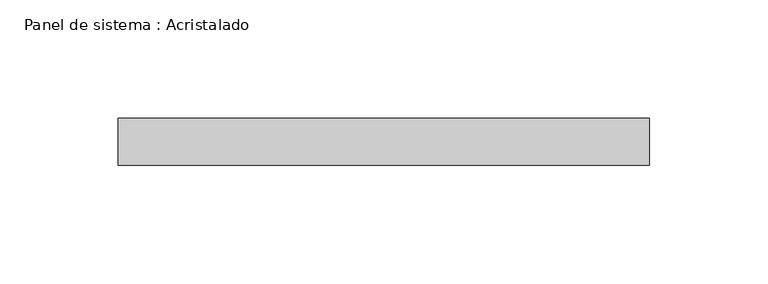
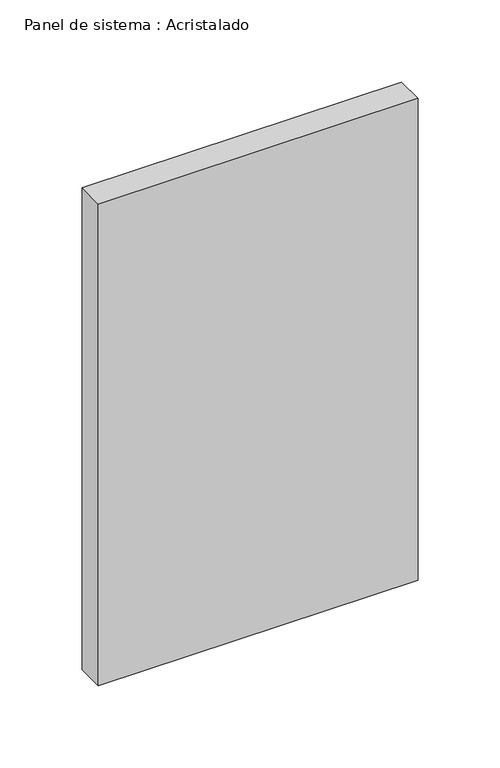
"""IFC4 building model written with IfcOpenShell, lengths in millimetres: plate geometry, Panel de sistema : Acristalado."""

from ifc_helpers import new_model, si_unit, origin, origin_with_axes, place, context, project, spatial, polyline, outline, extrude, source, transform, mapped, element, save


def panel_de_sistema_acristalado_f5af0c58(model_context):
    return source(origin(), model_context, "Body", "SweptSolid", [
        extrude(outline(polyline([(112.5, -10.0), (-112.5, -10.0), (-112.5, 10.0), (112.5, 10.0), (112.5, -10.0)])), origin_with_axes(), (0.0, 0.0, 1.0), 358.3333333),
    ])


if __name__ == "__main__":
    model = new_model("IFC4")
    model_context = context("Model", 3, world=origin())
    ifc_project = project(units=[si_unit("LENGTHUNIT", "METRE", prefix="MILLI")], contexts=[model_context])
    site = spatial("IfcSite", under=ifc_project)
    building = spatial("IfcBuilding", under=site)
    placement = place(None, origin())
    panel_de_sistema_acristalado_shape = panel_de_sistema_acristalado_f5af0c58(model_context)
    element("IfcPlate", 1, ObjectType="Panel de sistema : Acristalado", at=placement, inside=building, context=model_context, shape_type="MappedRepresentation", body=[
        mapped(panel_de_sistema_acristalado_shape, transform((0.0, 0.0, 0.0), x_axis=(1.0, 0.0, 0.0), y_axis=(0.0, 1.0, 0.0), z_axis=(0.0, 0.0, 1.0))),
    ])
    save(model, "model.ifc")
